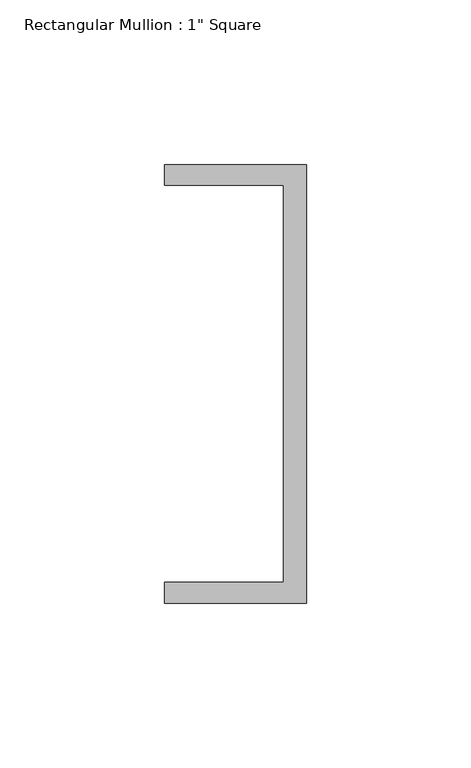
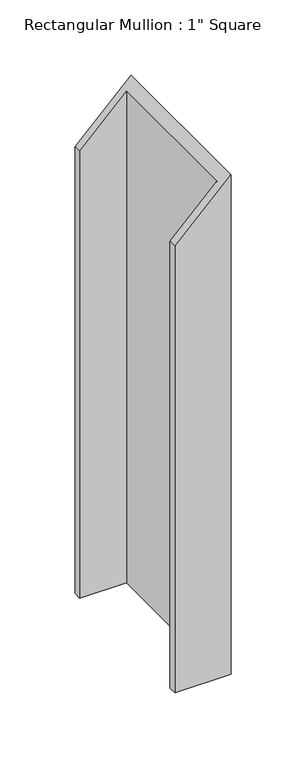
"""IFC4 building model written with IfcOpenShell, lengths in millimetres: member geometry."""

from ifc_helpers import new_model, si_unit, origin, place, context, project, spatial, faceted_brep, source, transform, mapped, element, save


def member_f437ec42(model_context):
    return source(origin(), model_context, "Body", "Brep", [
        faceted_brep([(-43.2224547, 135.2608739, -43.1116325), (0.0, 135.2608739, 0.0), (0.0, 135.2608739, -406.4013393), (-43.2224547, 135.2608739, -406.4013393), (-43.2224547, 128.9108739, -43.1116325), (-43.2224547, 128.9108739, -406.4013393), (-7.0438577, 128.9108739, -7.0257973), (-7.0438577, 128.9108739, -406.4013393), (-7.0438577, 8.2608739, -7.0257973), (-7.0438577, 8.2608739, -406.4013393), (-43.2224547, 8.2608739, -43.1116325), (-43.2224547, 8.2608739, -406.4013393), (-43.2224547, 1.9108739, -43.1116325), (-43.2224547, 1.9108739, -406.4013393), (0.0, 1.9108739, 0.0), (0.0, 1.9108739, -406.4013393)], [[[0, 1, 2, 3]], [[4, 0, 3, 5]], [[6, 4, 5, 7]], [[8, 6, 7, 9]], [[10, 8, 9, 11]], [[12, 10, 11, 13]], [[14, 12, 13, 15]], [[1, 14, 15, 2]], [[1, 0, 4, 6, 8, 10, 12, 14]], [[2, 15, 13, 11, 9, 7, 5, 3]]]),
    ])


if __name__ == "__main__":
    model = new_model("IFC4")
    model_context = context("Model", 3, world=origin())
    ifc_project = project(units=[si_unit("LENGTHUNIT", "METRE", prefix="MILLI")], contexts=[model_context])
    site = spatial("IfcSite", under=ifc_project)
    building = spatial("IfcBuilding", under=site)
    placement = place(None, origin())
    member_shape = member_f437ec42(model_context)
    element("IfcMember", 1, ObjectType="Rectangular Mullion : 1\" Square", at=placement, inside=building, context=model_context, shape_type="MappedRepresentation", body=[
        mapped(member_shape, transform((0.0, 0.0, 0.0), x_axis=(1.0, 0.0, 0.0), y_axis=(0.0, 1.0, 0.0), z_axis=(0.0, 0.0, 1.0))),
    ])
    save(model, "model.ifc")
